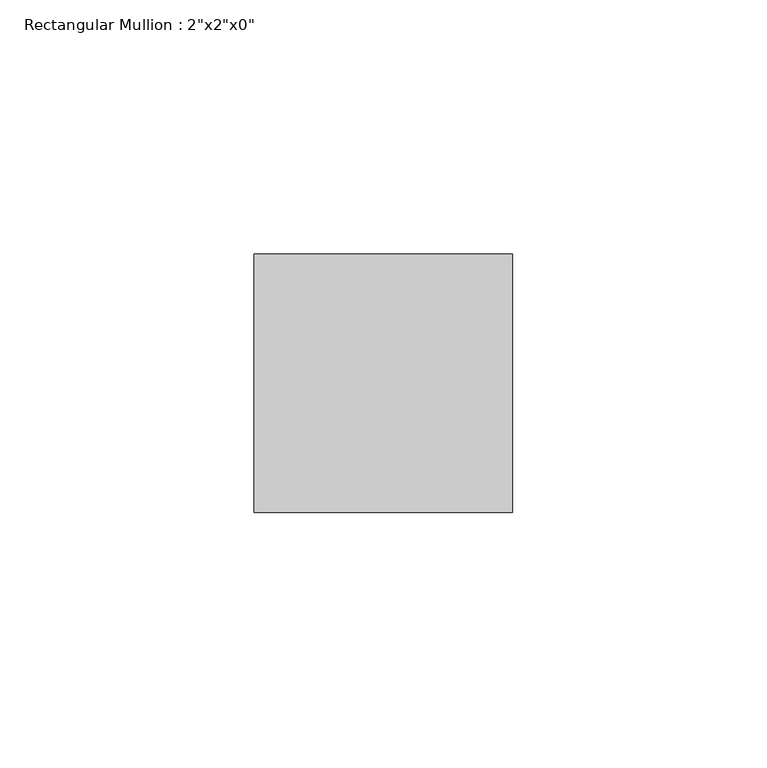
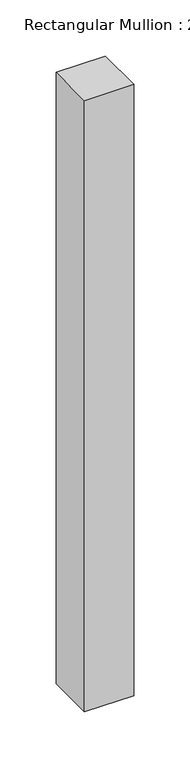
"""IFC4 building model written with IfcOpenShell, lengths in millimetres: member geometry."""

import ifcopenshell
import ifcopenshell.guid

model = None  # the IFC model being written
_history = None  # IfcOwnerHistory: only IFC2X3 demands one
_inside = {}  # id of a spatial element -> (the spatial element, [elements in it])
_under = {}  # id of a project, library or spatial element -> (it, [spatial elements below it])
_declared = {}  # id of a project -> (the project, [libraries it declares])
_typed = {}  # id of a type object -> (the type object, [elements of that type])
_made_of = {}  # id of a material, layer set ... -> (it, [elements and type objects made of it])


def new_model(schema):
    """Start an empty IFC model of exactly this schema.

    Asked for "IFC4X3", IfcOpenShell would pick the latest addendum, in which some entities
    have other attributes; the version numbers below select the first issue.
    IFC2X3 requires an IfcOwnerHistory on every rooted entity: one is made here for all.
    """
    global model, _history
    if schema == "IFC4X3":
        model = ifcopenshell.file(schema_version=(4, 3, 0, 0))
    else:
        model = ifcopenshell.file(schema=schema)
    _inside.clear()
    _under.clear()
    _declared.clear()
    _typed.clear()
    _made_of.clear()
    _history = None
    if model.schema == "IFC2X3":
        org = make("IfcOrganization", Name="unknown")
        user = make(
            "IfcPersonAndOrganization",
            ThePerson=make("IfcPerson", FamilyName="unknown"),
            TheOrganization=org,
        )
        app = make(
            "IfcApplication",
            ApplicationDeveloper=org,
            Version="unknown",
            ApplicationFullName="unknown",
            ApplicationIdentifier="unknown",
        )
        _history = make(
            "IfcOwnerHistory",
            OwningUser=user,
            OwningApplication=app,
            ChangeAction="ADDED",
            CreationDate=0,
        )
    return model


def make(cls, **values):
    """One entity of the class cls with the attributes given. An attribute that is None is left unset."""
    return model.create_entity(
        cls, **{name: value for name, value in values.items() if value is not None}
    )


def rooted(cls, **values):
    """An entity with a GlobalId (a new one), such as an element, a storey or a relation."""
    return make(cls, GlobalId=ifcopenshell.guid.new(), OwnerHistory=_history, **values)


def si_unit(unit_type, name, prefix=None):
    """IfcSIUnit, for example si_unit("LENGTHUNIT", "METRE", prefix="MILLI")."""
    return make("IfcSIUnit", UnitType=unit_type, Prefix=prefix, Name=name)


def assignment(units):
    """IfcUnitAssignment: the units of a project."""
    return None if units is None else make("IfcUnitAssignment", Units=units)


def point(xyz):
    """IfcCartesianPoint."""
    return None if xyz is None else make("IfcCartesianPoint", Coordinates=xyz)


def direction(xyz):
    """IfcDirection."""
    return None if xyz is None else make("IfcDirection", DirectionRatios=xyz)


def frame(location, z_axis=None, x_axis=None):
    """IfcAxis2Placement3D, a coordinate frame: its origin and axes. An axis left out is left unset."""
    return make(
        "IfcAxis2Placement3D",
        Location=point(location),
        Axis=direction(z_axis),
        RefDirection=direction(x_axis),
    )


def origin():
    """The frame at (0, 0, 0) with its axes left unset."""
    return frame((0.0, 0.0, 0.0))


def place(relative_to, where):
    """IfcLocalPlacement: puts the frame where relative to a parent placement (None: the world)."""
    return make(
        "IfcLocalPlacement", PlacementRelTo=relative_to, RelativePlacement=where
    )


def context(
    kind, dimensions, precision=None, world=None, true_north=None, identifier=None
):
    """IfcGeometricRepresentationContext, for example the 3D "Model" context."""
    return make(
        "IfcGeometricRepresentationContext",
        ContextIdentifier=identifier,
        ContextType=kind,
        CoordinateSpaceDimension=dimensions,
        Precision=precision,
        WorldCoordinateSystem=world,
        TrueNorth=true_north,
    )


def project(units=None, contexts=None):
    """IfcProject with its units and contexts."""
    return rooted(
        "IfcProject",
        Name="project",
        RepresentationContexts=contexts,
        UnitsInContext=assignment(units),
    )


def spatial(cls, under=None, at=None, **own):
    """A site, building, storey or space (cls), placed at a placement, below another one or the project."""
    s = rooted(cls, ObjectPlacement=at, **own)
    if under is not None:
        _under.setdefault(under.id(), (under, []))[1].append(s)
    return s


def polyline(points):
    """IfcPolyline through the points."""
    return make("IfcPolyline", Points=[point(p) for p in points])


def outline(outer, holes=None, kind="AREA"):
    """IfcArbitraryClosedProfileDef: a profile drawn as a closed curve; with holes, ...WithVoids."""
    if holes is None:
        return make("IfcArbitraryClosedProfileDef", ProfileType=kind, OuterCurve=outer)
    return make(
        "IfcArbitraryProfileDefWithVoids",
        ProfileType=kind,
        OuterCurve=outer,
        InnerCurves=holes,
    )


def extrude(swept, where, along, depth):
    """IfcExtrudedAreaSolid: the profile swept, set in the frame where, extruded along a direction by depth."""
    return make(
        "IfcExtrudedAreaSolid",
        SweptArea=swept,
        Position=where,
        ExtrudedDirection=direction(along),
        Depth=depth,
    )


def shape(context_of_items, identifier, shape_type, items):
    """IfcShapeRepresentation: the items that make up one representation, for example the "Body"."""
    return make(
        "IfcShapeRepresentation",
        ContextOfItems=context_of_items,
        RepresentationIdentifier=identifier,
        RepresentationType=shape_type,
        Items=items,
    )


def source(mapping_origin, context_of_items, identifier, shape_type, items):
    """IfcRepresentationMap: a shape defined once, which mapped items show again and again."""
    return make(
        "IfcRepresentationMap",
        MappingOrigin=mapping_origin,
        MappedRepresentation=shape(context_of_items, identifier, shape_type, items),
    )


def transform(
    local_origin,
    x_axis=None,
    y_axis=None,
    z_axis=None,
    scale=None,
    scale2=None,
    scale3=None,
    uniform=True,
):
    """IfcCartesianTransformationOperator3D, or its non-uniform kind. x_axis, y_axis, z_axis: its Axis1, 2, 3."""
    if uniform:
        return make(
            "IfcCartesianTransformationOperator3D",
            Axis1=direction(x_axis),
            Axis2=direction(y_axis),
            LocalOrigin=point(local_origin),
            Scale=scale,
            Axis3=direction(z_axis),
        )
    return make(
        "IfcCartesianTransformationOperator3DnonUniform",
        Axis1=direction(x_axis),
        Axis2=direction(y_axis),
        LocalOrigin=point(local_origin),
        Scale=scale,
        Axis3=direction(z_axis),
        Scale2=scale2,
        Scale3=scale3,
    )


def mapped(mapping_source, mapping_target):
    """IfcMappedItem: shows the shape of a source again, moved by a transform."""
    return make(
        "IfcMappedItem", MappingSource=mapping_source, MappingTarget=mapping_target
    )


def made_of(thing, what):
    """Note that an element or type object is made of a material, layer set ...; save() writes the relation."""
    if what is not None:
        _made_of.setdefault(what.id(), (what, []))[1].append(thing)
    return thing


def element(
    cls,
    number,
    at=None,
    inside=None,
    cuts=None,
    type_object=None,
    material=None,
    context=None,
    identifier="Body",
    shape_type=None,
    held_by="IfcProductDefinitionShape",
    body=None,
    shapes=None,
    **own,
):
    """One element of the class cls, such as IfcWall. Its Tag is "e" and its number.

    at: its placement. inside: the storey or other place that contains it. cuts: it is an
    opening in that element (IfcRelVoidsElement). A single representation is given by context,
    identifier, shape_type and body (its items); several are given by shapes. held_by: the class
    of the entity that holds the representations. save() writes the other relations.
    """
    e = rooted(cls, Tag="e%d" % number, ObjectPlacement=at, **own)
    if body is not None:
        shapes = [shape(context, identifier, shape_type, body)]
    if shapes is not None:
        e.Representation = make(held_by, Representations=shapes)
    if inside is not None:
        _inside.setdefault(inside.id(), (inside, []))[1].append(e)
    if cuts is not None:
        rooted(
            "IfcRelVoidsElement", RelatingBuildingElement=cuts, RelatedOpeningElement=e
        )
    if type_object is not None:
        _typed.setdefault(type_object.id(), (type_object, []))[1].append(e)
    return made_of(e, material)


def aggregate(whole, parts):
    """IfcRelAggregates: a whole, such as a stair, and the parts it consists of."""
    return rooted("IfcRelAggregates", RelatingObject=whole, RelatedObjects=parts)


def save(model, path):
    """Write the relations noted so far, then the file.

    IfcRelAggregates (storeys below a building ...), IfcRelContainedInSpatialStructure (elements
    in a storey), IfcRelDefinesByType, IfcRelAssociatesMaterial and IfcRelDeclares: one each for
    every whole, place, type object, material and project.
    """
    for whole, parts in _under.values():
        aggregate(whole, parts)
    for where, things in _inside.values():
        rooted(
            "IfcRelContainedInSpatialStructure",
            RelatedElements=things,
            RelatingStructure=where,
        )
    for kind, things in _typed.values():
        rooted("IfcRelDefinesByType", RelatedObjects=things, RelatingType=kind)
    for what, things in _made_of.values():
        rooted("IfcRelAssociatesMaterial", RelatedObjects=things, RelatingMaterial=what)
    for by, libraries in _declared.values():
        rooted("IfcRelDeclares", RelatingContext=by, RelatedDefinitions=libraries)
    model.write(path)


def member_d350ec8f(model_context):
    return source(origin(), model_context, "Body", "SweptSolid", [
        extrude(outline(polyline([(25.4, 25.4), (25.4, -25.4), (-25.4, -25.4), (-25.4, 25.4), (25.4, 25.4)])), frame((0.0, 0.0, -666.1335603), z_axis=(0.0, 0.0, 1.0), x_axis=(1.0, 0.0, 0.0)), (0.0, 0.0, 1.0), 666.1335603),
    ])


if __name__ == "__main__":
    model = new_model("IFC4")
    model_context = context("Model", 3, world=origin())
    ifc_project = project(units=[si_unit("LENGTHUNIT", "METRE", prefix="MILLI")], contexts=[model_context])
    site = spatial("IfcSite", under=ifc_project)
    building = spatial("IfcBuilding", under=site)
    placement = place(None, origin())
    member_shape = member_d350ec8f(model_context)
    element("IfcMember", 1, ObjectType="Rectangular Mullion : 2\"x2\"x0\"", at=placement, inside=building, context=model_context, shape_type="MappedRepresentation", body=[
        mapped(member_shape, transform((0.0, 0.0, 0.0), x_axis=(1.0, 0.0, 0.0), y_axis=(0.0, 1.0, 0.0), z_axis=(0.0, 0.0, 1.0))),
    ])
    save(model, "model.ifc")
